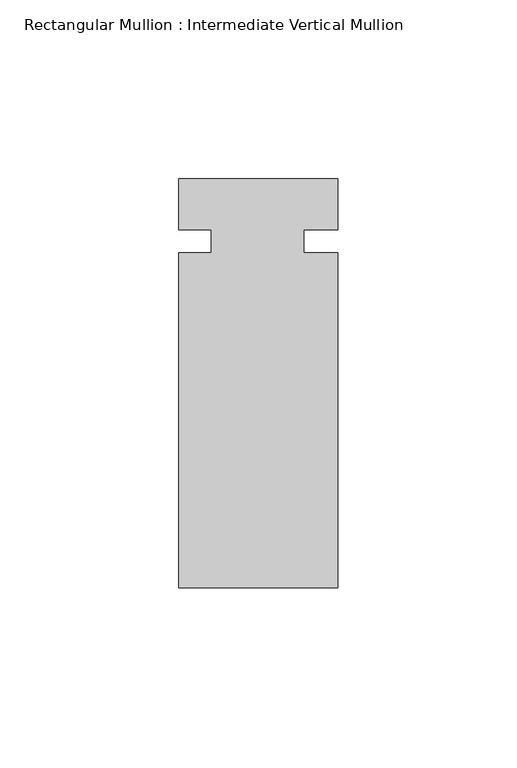
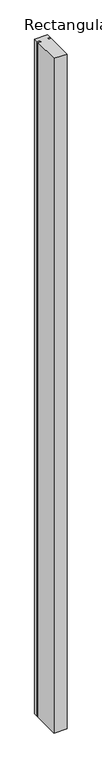
"""IFC4 building model written with IfcOpenShell, lengths in millimetres: member geometry, Rectangular Mullion : Intermediate Vertical Mullion."""

from ifc_helpers import new_model, si_unit, frame, origin, place, context, project, spatial, polyline, outline, extrude, source, transform, mapped, element, save


def rectangular_mullion_intermediate_vertical_mullion_d83f5c81(model_context):
    return source(origin(), model_context, "Body", "SweptSolid", [
        extrude(outline(polyline([(22.225, -96.8247989), (-22.225, -96.8247989), (-22.225, -3.175), (-13.1064, -3.175), (-13.1064, 3.175), (-22.225, 3.175), (-22.225, 17.4752011), (22.225, 17.4752011), (22.225, 3.1750011), (12.7, 3.1750011), (12.7, -3.1749989), (22.225, -3.1749989), (22.225, -96.8247989)])), frame((0.0, 0.0, -2438.4), z_axis=(0.0, 0.0, 1.0), x_axis=(1.0, 0.0, 0.0)), (0.0, 0.0, 1.0), 2438.4),
    ])


if __name__ == "__main__":
    model = new_model("IFC4")
    model_context = context("Model", 3, world=origin())
    ifc_project = project(units=[si_unit("LENGTHUNIT", "METRE", prefix="MILLI")], contexts=[model_context])
    site = spatial("IfcSite", under=ifc_project)
    building = spatial("IfcBuilding", under=site)
    placement = place(None, origin())
    rectangular_mullion_intermediate_vertical_mullion_shape = rectangular_mullion_intermediate_vertical_mullion_d83f5c81(model_context)
    element("IfcMember", 1, ObjectType="Rectangular Mullion : Intermediate Vertical Mullion", at=placement, inside=building, context=model_context, shape_type="MappedRepresentation", body=[
        mapped(rectangular_mullion_intermediate_vertical_mullion_shape, transform((0.0, 0.0, 0.0), x_axis=(1.0, 0.0, 0.0), y_axis=(0.0, 1.0, 0.0), z_axis=(0.0, 0.0, 1.0))),
    ])
    save(model, "model.ifc")
